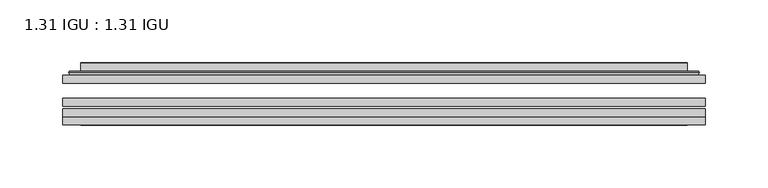
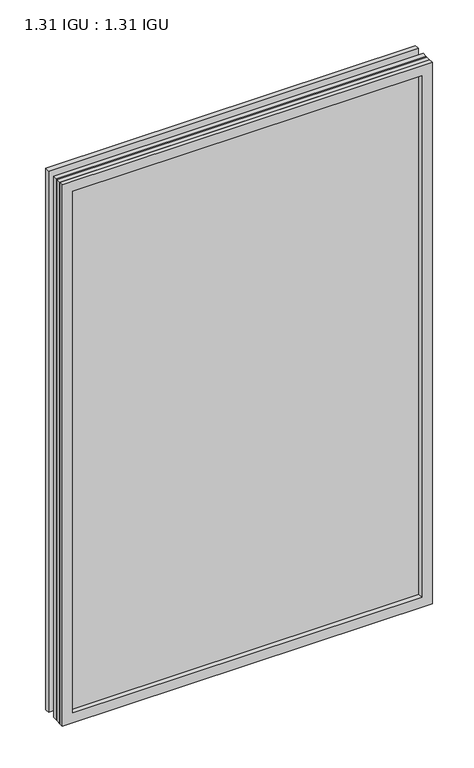
"""IFC4 building model written with IfcOpenShell, lengths in millimetres: plate geometry, 1.31 IGU : 1.31 IGU."""

from ifc_helpers import new_model, si_unit, frame, origin, place, context, project, spatial, polyline, ellipse_curve, outline, extrude, faceted_brep, source, transform, mapped, element, save
from ifc_brep_helpers import plane_surface, cylinder_surface, advanced_brep


def plate_1_31_igu_1_31_igu_c6deb6ee(model_context):
    return source(origin(), model_context, "Body", "SolidModel", [
        extrude(outline(polyline([(255.601675, -63.59525), (255.601675, -69.94525), (-255.5875, -69.94525), (-255.5875, -63.59525), (255.601675, -63.59525)])), frame((0.0, 0.0, -14.2875), z_axis=(0.0, 0.0, 1.0), x_axis=(1.0, 0.0, 0.0)), (0.0, 0.0, 1.0), 790.6015278),
        extrude(outline(polyline([(-255.5875, -78.58125), (-255.5875, -72.230745), (255.601675, -72.230745), (255.601675, -78.58125), (-255.5875, -78.58125)])), frame((0.0, 0.0, -14.2875), z_axis=(0.0, 0.0, 1.0), x_axis=(1.0, 0.0, 0.0)), (0.0, 0.0, 1.0), 790.6015278),
        extrude(outline(polyline([(255.601675, -45.25645), (255.601675, -51.60645), (-255.5875, -51.60645), (-255.5875, -45.25645), (255.601675, -45.25645)])), frame((0.0, 0.0, -14.2875), z_axis=(0.0, 0.0, 1.0), x_axis=(1.0, 0.0, 0.0)), (0.0, 0.0, 1.0), 790.6015278),
        faceted_brep([(-255.6002, -84.93125, 776.3229299), (-255.6002, -78.58125, 776.3229299), (-255.6002, -78.58125, -14.3002), (-255.6002, -84.93125, -14.3002), (255.6002, -78.58125, -14.3002), (255.6002, -84.93125, -14.3002), (255.6002, -78.58125, 776.3229299), (255.6002, -84.93125, 776.3229299), (-240.4022559, -78.58125, 0.8977441), (240.4022559, -78.58125, 0.8977441), (240.4022559, -78.58125, 761.1249858), (-240.4022559, -78.58125, 761.1249858), (-241.2946902, -84.93125, 762.0174201), (241.2946902, -84.93125, 762.0174201), (241.2946902, -84.93125, 0.0053098), (-241.2946902, -84.93125, 0.0053098)], [[[0, 1, 2, 3]], [[3, 2, 4, 5]], [[5, 4, 6, 7]], [[1, 6, 4, 2], [8, 9, 10, 11]], [[7, 6, 1, 0]], [[3, 5, 7, 0], [12, 13, 14, 15]], [[11, 12, 15, 8]], [[8, 15, 14, 9]], [[9, 14, 13, 10]], [[10, 13, 12, 11]]]),
        advanced_brep(
        [(-248.346219, -45.25645, 769.0689489), (-250.7004244, -43.2667833, 771.4231543), (-250.7004244, -43.2667833, -9.4004244), (-248.346219, -45.25645, -7.046219), (-239.2718939, -41.416413, 759.9946238), (-234.3370621, -45.25645, 755.0597919), (-234.3370621, -45.25645, 6.9629379), (-239.2718939, -41.416413, 2.0281061), (-240.3039217, -36.0191819, 761.0266515), (-240.3039217, -36.0191819, 0.9960783), (-241.2945784, -35.6202069, 762.0173083), (-241.2945784, -35.6202069, 0.0054216), (-241.2945784, -42.08145, 762.0173083), (-241.2945784, -42.08145, 0.0054216), (-249.6986349, -42.08145, 770.4213648), (-249.6986349, -42.08145, -8.3986349), (250.7004244, -43.2667833, -9.4004244), (248.346219, -45.25645, -7.046219), (234.3370621, -45.25645, 6.9629379), (239.2718939, -41.416413, 2.0281061), (240.3039217, -36.0191819, 0.9960783), (241.2945784, -35.6202069, 0.0054216), (241.2945784, -42.08145, 0.0054216), (249.6986349, -42.08145, -8.3986349), (250.7004244, -43.2667833, 771.4231543), (248.346219, -45.25645, 769.0689489), (234.3370621, -45.25645, 755.0597919), (239.2718939, -41.416413, 759.9946238), (240.3039217, -36.0191819, 761.0266515), (241.2945784, -35.6202069, 762.0173083), (241.2945784, -42.08145, 762.0173083), (249.6986349, -42.08145, 770.4213648)],
        [
            (0, 1, ellipse_curve(frame((-248.346219, -42.86885, 769.0689489), z_axis=(-0.7071067811865475, 0.0, -0.7071067811865475), x_axis=(-0.7071067811865474, 0.0, 0.7071067811865476)), 3.3765763, 2.3876)),
            (1, 2),
            (2, 3, ellipse_curve(frame((-248.346219, -42.86885, -7.046219), z_axis=(-0.7071067811865475, 0.0, 0.7071067811865475), x_axis=(0.7071067811865474, 0.0, 0.7071067811865476)), 3.3765763, 2.3876)),
            (3, 0),
            (4, 5),
            (5, 6),
            (6, 7),
            (7, 4),
            (8, 4),
            (7, 9),
            (9, 8),
            (10, 8, ellipse_curve(frame((-240.9276219, -36.1384423, 761.6503517), z_axis=(-0.7071067811865475, 0.0, -0.7071067811865475), x_axis=(-0.7071067811865474, 0.0, 0.7071067811865476)), 0.8980256, 0.635)),
            (9, 11, ellipse_curve(frame((-240.9276219, -36.1384423, 0.3723781), z_axis=(-0.7071067811865475, 0.0, 0.7071067811865475), x_axis=(0.7071067811865474, 0.0, 0.7071067811865476)), 0.8980256, 0.635)),
            (11, 10),
            (12, 10),
            (11, 13),
            (13, 12),
            (1, 14, ellipse_curve(frame((-249.6986349, -43.09745, 770.4213648), z_axis=(-0.7071067811865475, 0.0, -0.7071067811865475), x_axis=(-0.7071067811865474, 0.0, 0.7071067811865476)), 1.436841, 1.016)),
            (14, 15),
            (15, 2, ellipse_curve(frame((-249.6986349, -43.09745, -8.3986349), z_axis=(-0.7071067811865475, 0.0, 0.7071067811865475), x_axis=(0.7071067811865474, 0.0, 0.7071067811865476)), 1.436841, 1.016)),
            (2, 16),
            (16, 17, ellipse_curve(frame((248.346219, -42.86885, -7.046219), z_axis=(-0.7071067811865475, 0.0, -0.7071067811865475), x_axis=(-0.7071067811865476, 0.0, 0.7071067811865474)), 3.3765763, 2.3876)),
            (17, 3),
            (6, 18),
            (18, 19),
            (19, 7),
            (19, 20),
            (20, 9),
            (20, 21, ellipse_curve(frame((240.9276219, -36.1384423, 0.3723781), z_axis=(-0.7071067811865475, 0.0, -0.7071067811865475), x_axis=(-0.7071067811865476, 0.0, 0.7071067811865474)), 0.8980256, 0.635)),
            (21, 11),
            (21, 22),
            (22, 13),
            (15, 23),
            (23, 16, ellipse_curve(frame((249.6986349, -43.09745, -8.3986349), z_axis=(-0.7071067811865475, 0.0, -0.7071067811865475), x_axis=(-0.7071067811865476, 0.0, 0.7071067811865474)), 1.436841, 1.016)),
            (16, 24),
            (24, 25, ellipse_curve(frame((248.346219, -42.86885, 769.0689489), z_axis=(0.7071067811865475, 0.0, -0.7071067811865475), x_axis=(-0.7071067811865474, 0.0, -0.7071067811865476)), 3.3765763, 2.3876)),
            (25, 17),
            (18, 26),
            (26, 27),
            (27, 19),
            (27, 28),
            (28, 20),
            (28, 29, ellipse_curve(frame((240.9276219, -36.1384423, 761.6503517), z_axis=(0.7071067811865475, 0.0, -0.7071067811865475), x_axis=(-0.7071067811865474, 0.0, -0.7071067811865476)), 0.8980256, 0.635)),
            (29, 21),
            (29, 30),
            (30, 22),
            (23, 31),
            (31, 24, ellipse_curve(frame((249.6986349, -43.09745, 770.4213648), z_axis=(0.7071067811865475, 0.0, -0.7071067811865475), x_axis=(-0.7071067811865474, 0.0, -0.7071067811865476)), 1.436841, 1.016)),
            (24, 1),
            (0, 25),
            (5, 26),
            (4, 27),
            (8, 28),
            (10, 29),
            (12, 30),
            (14, 31),
        ],
        [
            cylinder_surface(frame((-248.346219, -42.86885, 793.7727299), z_axis=(0.0, 0.0, 1.0), x_axis=(-1.0, 0.0, 0.0)), 2.3876),
            plane_surface(frame((-234.3370621, -45.25645, 755.0597919), z_axis=(0.6141233906514794, 0.7892100234124821, 0.0), x_axis=(0.0, 0.0, -1.0))),
            plane_surface(frame((-239.2718939, -41.416413, 759.9946238), z_axis=(0.9822050625507729, 0.18781164793386076, 0.0), x_axis=(0.0, 0.0, -1.0))),
            cylinder_surface(frame((-240.9276219, -36.1384423, 793.7727299), z_axis=(0.0, 0.0, 1.0), x_axis=(-1.0, 0.0, 0.0)), 0.635),
            plane_surface(frame((-241.2945784, -35.6202069, 762.0173083), z_axis=(-1.0, 0.0, 0.0), x_axis=(0.0, 0.0, -1.0))),
            cylinder_surface(frame((-249.6986349, -43.09745, 793.7727299), z_axis=(0.0, 0.0, 1.0), x_axis=(-1.0, 0.0, 0.0)), 1.016),
            cylinder_surface(frame((-273.05, -42.86885, -7.046219), z_axis=(-1.0, 0.0, 0.0), x_axis=(0.0, 0.0, -1.0)), 2.3876),
            plane_surface(frame((-234.3370621, -45.25645, 6.9629379), z_axis=(0.0, 0.7892100234124841, 0.6141233906514768), x_axis=(1.0, 0.0, 0.0))),
            plane_surface(frame((-239.2718939, -41.416413, 2.0281061), z_axis=(0.0, 0.18781164793386393, 0.9822050625507723), x_axis=(1.0, 0.0, 0.0))),
            cylinder_surface(frame((-273.05, -36.1384423, 0.3723781), z_axis=(-1.0, 0.0, 0.0), x_axis=(0.0, 0.0, -1.0)), 0.635),
            plane_surface(frame((-241.2945784, -35.6202069, 0.0054216), z_axis=(0.0, 0.0, -1.0), x_axis=(1.0, 0.0, 0.0))),
            cylinder_surface(frame((-273.05, -43.09745, -8.3986349), z_axis=(-1.0, 0.0, 0.0), x_axis=(0.0, 0.0, -1.0)), 1.016),
            cylinder_surface(frame((248.346219, -42.86885, -31.75), z_axis=(0.0, 0.0, -1.0), x_axis=(1.0, 0.0, 0.0)), 2.3876),
            plane_surface(frame((234.3370621, -45.25645, 6.9629379), z_axis=(-0.6141233906514743, 0.7892100234124861, 0.0), x_axis=(0.0, 0.0, 1.0))),
            plane_surface(frame((239.2718939, -41.416413, 2.0281061), z_axis=(-0.9822050625507718, 0.1878116479338671, 0.0), x_axis=(0.0, 0.0, 1.0))),
            cylinder_surface(frame((240.9276219, -36.1384423, -31.75), z_axis=(0.0, 0.0, -1.0), x_axis=(1.0, 0.0, 0.0)), 0.635),
            plane_surface(frame((241.2945784, -35.6202069, 0.0054216), z_axis=(1.0, 0.0, 0.0), x_axis=(0.0, 0.0, 1.0))),
            cylinder_surface(frame((249.6986349, -43.09745, -31.75), z_axis=(0.0, 0.0, -1.0), x_axis=(1.0, 0.0, 0.0)), 1.016),
            cylinder_surface(frame((273.05, -42.86885, 769.0689489), z_axis=(1.0, 0.0, 0.0), x_axis=(0.0, 0.0, 1.0)), 2.3876),
            plane_surface(frame((248.346219, -45.25645, 769.0689489), z_axis=(0.0, -1.0, 0.0), x_axis=(-1.0, 0.0, 0.0))),
            plane_surface(frame((234.3370621, -45.25645, 755.0597919), z_axis=(0.0, 0.7892100234124841, -0.6141233906514768), x_axis=(-1.0, 0.0, 0.0))),
            plane_surface(frame((239.2718939, -41.416413, 759.9946238), z_axis=(0.0, 0.18781164793386393, -0.9822050625507723), x_axis=(-1.0, 0.0, 0.0))),
            cylinder_surface(frame((273.05, -36.1384423, 761.6503517), z_axis=(1.0, 0.0, 0.0), x_axis=(0.0, 0.0, 1.0)), 0.635),
            plane_surface(frame((241.2945784, -35.6202069, 762.0173083), z_axis=(0.0, 0.0, 1.0), x_axis=(-1.0, 0.0, 0.0))),
            plane_surface(frame((241.2945784, -42.08145, 762.0173083), z_axis=(0.0, 1.0, 0.0), x_axis=(-1.0, 0.0, 0.0))),
            cylinder_surface(frame((273.05, -43.09745, 770.4213648), z_axis=(1.0, 0.0, 0.0), x_axis=(0.0, 0.0, 1.0)), 1.016),
        ],
        [
            (0, [[1, 2, 3, 4]]),
            (1, [[5, 6, 7, 8]]),
            (2, [[9, -8, 10, 11]]),
            (3, [[12, -11, 13, 14]]),
            (4, [[15, -14, 16, 17]]),
            (5, [[18, 19, 20, -2]]),
            (6, [[-3, 21, 22, 23]]),
            (7, [[-7, 24, 25, 26]]),
            (8, [[-10, -26, 27, 28]]),
            (9, [[-13, -28, 29, 30]]),
            (10, [[-16, -30, 31, 32]]),
            (11, [[-20, 33, 34, -21]]),
            (12, [[-22, 35, 36, 37]]),
            (13, [[-25, 38, 39, 40]]),
            (14, [[-27, -40, 41, 42]]),
            (15, [[-29, -42, 43, 44]]),
            (16, [[-31, -44, 45, 46]]),
            (17, [[-34, 47, 48, -35]]),
            (18, [[-36, 49, -1, 50]]),
            (19, [[-23, -37, -50, -4], [51, -38, -24, -6]]),
            (20, [[-39, -51, -5, 52]]),
            (21, [[-41, -52, -9, 53]]),
            (22, [[-43, -53, -12, 54]]),
            (23, [[-45, -54, -15, 55]]),
            (24, [[56, -47, -33, -19], [-32, -46, -55, -17]]),
            (25, [[-48, -56, -18, -49]]),
        ],
    ),
    ])


if __name__ == "__main__":
    model = new_model("IFC4")
    model_context = context("Model", 3, world=origin())
    ifc_project = project(units=[si_unit("LENGTHUNIT", "METRE", prefix="MILLI")], contexts=[model_context])
    site = spatial("IfcSite", under=ifc_project)
    building = spatial("IfcBuilding", under=site)
    placement = place(None, origin())
    plate_1_31_igu_1_31_igu_shape = plate_1_31_igu_1_31_igu_c6deb6ee(model_context)
    element("IfcPlate", 1, ObjectType="1.31 IGU : 1.31 IGU", at=placement, inside=building, context=model_context, shape_type="MappedRepresentation", body=[
        mapped(plate_1_31_igu_1_31_igu_shape, transform((0.0, 0.0, 0.0), x_axis=(1.0, 0.0, 0.0), y_axis=(0.0, 1.0, 0.0), z_axis=(0.0, 0.0, 1.0))),
    ])
    save(model, "model.ifc")
